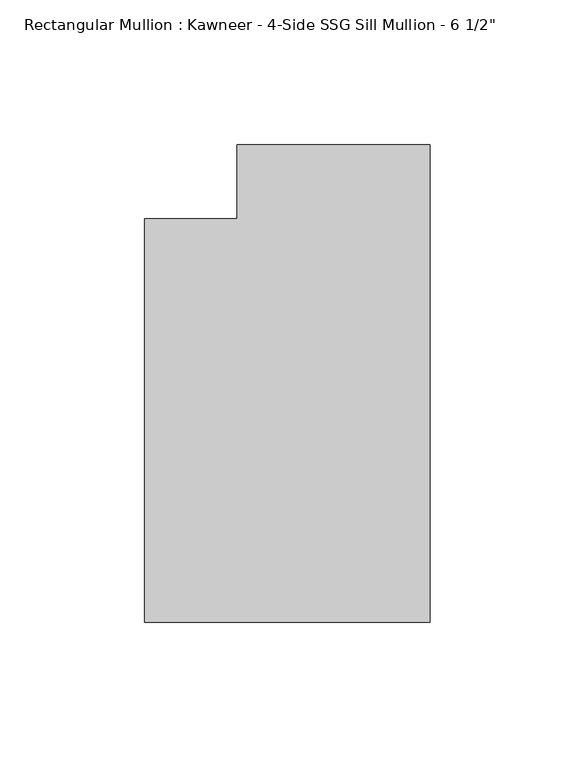
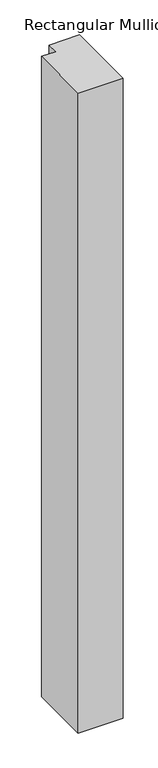
"""IFC4 building model written with IfcOpenShell, lengths in millimetres: member geometry."""

from ifc_helpers import new_model, si_unit, frame, origin, place, context, project, spatial, polyline, outline, extrude, source, transform, mapped, element, save


def member_6a1da107(model_context):
    return source(origin(), model_context, "Body", "SweptSolid", [
        extrude(outline(polyline([(0.0, -151.892), (-98.425, -151.892), (-98.425, -12.7), (-66.6751132, -12.7), (-66.6751132, 12.7), (0.0, 12.7), (0.0, -151.892)])), frame((0.0, 0.0, -1478.4151679), z_axis=(0.0, 0.0, 1.0), x_axis=(1.0, 0.0, 0.0)), (0.0, 0.0, 1.0), 1478.4151679),
    ])


if __name__ == "__main__":
    model = new_model("IFC4")
    model_context = context("Model", 3, world=origin())
    ifc_project = project(units=[si_unit("LENGTHUNIT", "METRE", prefix="MILLI")], contexts=[model_context])
    site = spatial("IfcSite", under=ifc_project)
    building = spatial("IfcBuilding", under=site)
    placement = place(None, origin())
    member_shape = member_6a1da107(model_context)
    element("IfcMember", 1, ObjectType="Rectangular Mullion : Kawneer - 4-Side SSG Sill Mullion - 6 1/2\"", at=placement, inside=building, context=model_context, shape_type="MappedRepresentation", body=[
        mapped(member_shape, transform((0.0, 0.0, 0.0), x_axis=(1.0, 0.0, 0.0), y_axis=(0.0, 1.0, 0.0), z_axis=(0.0, 0.0, 1.0))),
    ])
    save(model, "model.ifc")
